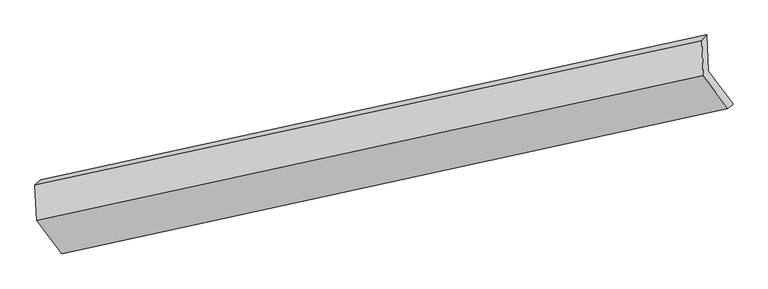
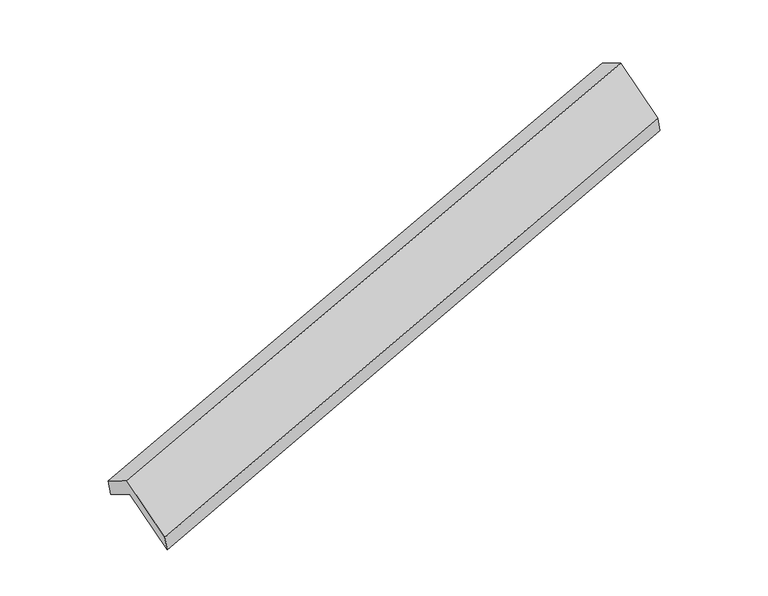
"""IFC4 building model written with IfcOpenShell, lengths in millimetres: proxy geometry."""

from ifc_helpers import new_model, si_unit, frame, origin, place, context, project, spatial, source, transform, mapped, element, save
from ifc_brep_helpers import plane_surface, spline_surface, advanced_brep


def generic_models_32736c0f(model_context):
    return source(origin(), model_context, "Body", "AdvancedBrep", [
        advanced_brep(
        [(-5772.6370591, -2478.5653184, 596.35951), (-6003.9719096, -2172.331873, 1136.434935), (186.0983093, -819.9824354, 3021.0686246), (417.4331598, -1126.2158808, 2480.9931995), (-6019.4315984, -1832.7211494, 937.2469665), (170.6386206, -480.3717118, 2821.880656), (-6070.9732281, -1876.2946727, 1139.9993071), (126.080128, -533.1892818, 3008.330132), (-6056.0058861, -2205.0897682, 1332.8437098), (141.04747, -861.9843773, 3201.1745346), (-5820.2896938, -2517.1230895, 782.5395835), (369.7805252, -1164.7736519, 2667.1732731)],
        [
            (0, 1),
            (1, 2),
            (2, 3),
            (3, 0),
            (1, 4),
            (4, 5),
            (5, 2),
            (4, 6),
            (6, 7),
            (7, 5),
            (6, 8),
            (8, 9),
            (9, 7),
            (8, 10),
            (10, 11),
            (11, 9),
            (10, 0),
            (3, 11),
        ],
        [
            plane_surface(frame((-5888.3044844, -2325.4485957, 866.3972225), z_axis=(-0.034986639459800406, 0.8628537961651375, -0.5042412731051689), x_axis=(-0.3491568575727393, 0.4622023325075001, 0.8151432344284999))),
            plane_surface(frame((-6011.701754, -2002.5265112, 1036.8409507), z_axis=(0.3491568575727329, -0.4622023325075046, -0.8151432344285), x_axis=(-0.03923598260636279, 0.8619164744177642, -0.5055299484661269))),
            spline_surface(1, 1, [[(-6019.4315984, -1832.7211494, 937.2469665), (170.6386206, -480.3717118, 2821.880656)], [(-6070.9732281, -1876.2946727, 1139.9993071), (126.080128, -533.1892818, 3008.330132)]], [2, 2], [2, 2], [0.0, 1.0], [0.0, 1.0]),
            plane_surface(frame((-6063.4895571, -2040.6922205, 1236.4215085), z_axis=(-0.3463226172267567, 0.46283101919037695, 0.815995154686844), x_axis=(0.0392359826064069, -0.8619164744177545, 0.50552994846614))),
            plane_surface(frame((-5938.1477899, -2361.1064288, 1057.6916467), z_axis=(0.03498663945979913, -0.8628537961651362, 0.504241273105171), x_axis=(0.34915685757273035, -0.4622023325075044, -0.8151432344285012))),
            plane_surface(frame((-5796.4633764, -2497.8442039, 689.4495467), z_axis=(0.2504010091320909, -0.9587583694594245, -0.1344682996737011), x_axis=(0.24311146393462554, 0.19671181342400432, -0.9498427651790601))),
            plane_surface(frame((235.1797022, -831.0862232, 2866.77007), z_axis=(0.9362425040975454, 0.2084921939831522, 0.28280908501893914), x_axis=(0.34915685757273035, -0.4622023325075044, -0.8151432344285012))),
            plane_surface(frame((-5957.2182292, -2180.3543119, 987.5706686), z_axis=(-0.9362425040975361, -0.20849219398327887, -0.2828090850188765), x_axis=(-0.243111463934543, -0.19671181342400848, 0.9498427651790803))),
        ],
        [
            (0, [[1, 2, 3, 4]]),
            (1, [[5, 6, 7, -2]]),
            (2, [[8, 9, 10, -6]]),
            (3, [[11, 12, 13, -9]]),
            (4, [[14, 15, 16, -12]]),
            (5, [[17, -4, 18, -15]]),
            (6, [[-16, -18, -3, -7, -10, -13]]),
            (7, [[-17, -14, -11, -8, -5, -1]]),
        ],
    ),
    ])


if __name__ == "__main__":
    model = new_model("IFC4")
    model_context = context("Model", 3, world=origin())
    ifc_project = project(units=[si_unit("LENGTHUNIT", "METRE", prefix="MILLI")], contexts=[model_context])
    site = spatial("IfcSite", under=ifc_project)
    building = spatial("IfcBuilding", under=site)
    placement = place(None, origin())
    generic_models_shape = generic_models_32736c0f(model_context)
    element("IfcBuildingElementProxy", 1, Name="Generic Models", at=placement, inside=building, context=model_context, shape_type="MappedRepresentation", body=[
        mapped(generic_models_shape, transform((0.0, 0.0, 0.0), x_axis=(1.0, 0.0, 0.0), y_axis=(0.0, 1.0, 0.0), z_axis=(0.0, 0.0, 1.0))),
    ])
    save(model, "model.ifc")
